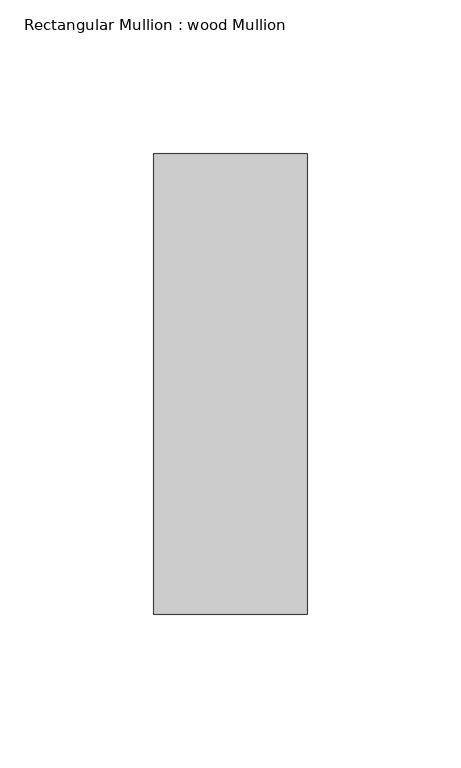
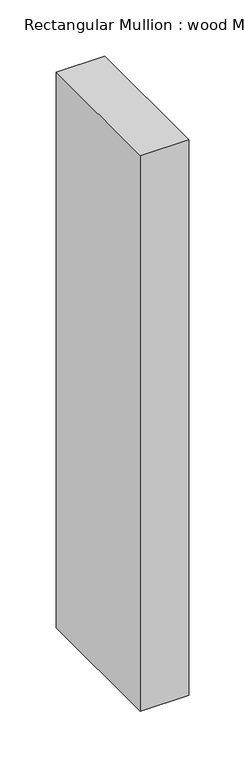
"""IFC4 building model written with IfcOpenShell, lengths in millimetres: member geometry, Rectangular Mullion : wood Mullion."""

from ifc_helpers import new_model, si_unit, frame, origin, place, context, project, spatial, polyline, outline, extrude, source, transform, mapped, element, save


def rectangular_mullion_wood_mullion_baae011f(model_context):
    return source(origin(), model_context, "Body", "SweptSolid", [
        extrude(outline(polyline([(25.0, 75.0), (25.0, -75.0), (-25.0, -75.0), (-25.0, 75.0), (25.0, 75.0)])), frame((0.0, 0.0, -605.0), z_axis=(0.0, 0.0, 1.0), x_axis=(1.0, 0.0, 0.0)), (0.0, 0.0, 1.0), 605.0),
    ])


if __name__ == "__main__":
    model = new_model("IFC4")
    model_context = context("Model", 3, world=origin())
    ifc_project = project(units=[si_unit("LENGTHUNIT", "METRE", prefix="MILLI")], contexts=[model_context])
    site = spatial("IfcSite", under=ifc_project)
    building = spatial("IfcBuilding", under=site)
    placement = place(None, origin())
    rectangular_mullion_wood_mullion_shape = rectangular_mullion_wood_mullion_baae011f(model_context)
    element("IfcMember", 1, ObjectType="Rectangular Mullion : wood Mullion", at=placement, inside=building, context=model_context, shape_type="MappedRepresentation", body=[
        mapped(rectangular_mullion_wood_mullion_shape, transform((0.0, 0.0, 0.0), x_axis=(1.0, 0.0, 0.0), y_axis=(0.0, 1.0, 0.0), z_axis=(0.0, 0.0, 1.0))),
    ])
    save(model, "model.ifc")
